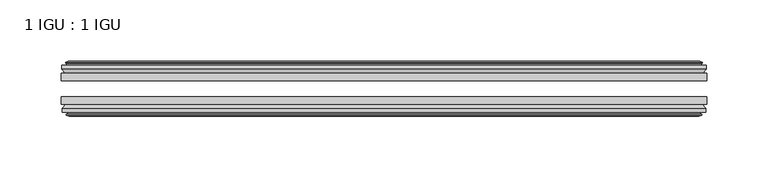
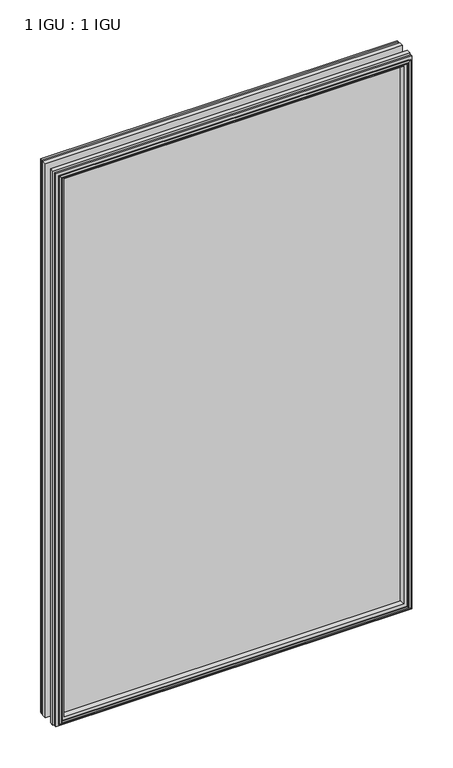
"""IFC4 building model written with IfcOpenShell, lengths in millimetres: plate geometry, 1 IGU : 1 IGU."""

from ifc_helpers import new_model, si_unit, frame, origin, place, context, project, spatial, polyline, outline, extrude, faceted_brep, source, transform, mapped, element, save


def plate_1_igu_1_igu_d31d4730(model_context):
    return source(origin(), model_context, "Body", "SolidModel", [
        extrude(outline(polyline([(263.5317467, -19.5460937), (263.5317467, -25.8960938), (-263.5317467, -25.8960938), (-263.5317467, -19.5460937), (263.5317467, -19.5460937)])), frame((0.0, 0.0, -12.7), z_axis=(0.0, 0.0, 1.0), x_axis=(1.0, 0.0, 0.0)), (0.0, 0.0, 1.0), 863.6104046),
        extrude(outline(polyline([(-263.5317467, -44.9460938), (-263.5317467, -38.9186737), (263.5317467, -38.9186737), (263.5317467, -44.9460938), (-263.5317467, -44.9460938)])), frame((0.0, 0.0, -12.7), z_axis=(0.0, 0.0, 1.0), x_axis=(1.0, 0.0, 0.0)), (0.0, 0.0, 1.0), 863.6104046),
        faceted_brep([(-257.9437467, -53.6762907, 845.3224046), (-258.3247467, -51.2960937, 845.7034046), (-258.3247467, -51.2960937, -7.493), (-257.9437467, -53.6762907, -7.112), (-259.3592758, -53.2163575, 846.7379337), (-259.3592758, -53.2163575, -8.5275291), (-259.3592758, -54.0175717, 846.7379337), (-259.3592758, -54.0175717, -8.5275291), (-257.1817467, -54.7250937, 844.5604046), (-257.1817467, -54.7250937, -6.35), (-255.0042177, -54.0175717, 842.3828756), (-255.0042177, -54.0175717, -4.1724709), (-255.0042177, -53.2163575, 842.3828756), (-255.0042177, -53.2163575, -4.1724709), (-256.4197467, -53.6762907, 843.7984046), (-256.4197467, -53.6762907, -5.588), (-256.0387467, -51.2960937, 843.4174046), (-256.0387467, -51.2960937, -5.207), (-249.1140286, -44.9460937, 836.4926865), (-250.8317467, -51.2960937, 838.2104046), (-250.8317467, -51.2960937, 0.0), (-249.1140286, -44.9460937, 1.7177181), (-262.7697467, -48.3496937, 850.1484046), (-259.9354046, -44.9460937, 847.3140624), (-259.9354046, -44.9460937, -9.1036578), (-262.7697467, -48.3496937, -11.938), (-262.7697467, -51.2960937, 850.1484046), (-262.7697467, -51.2960937, -11.938), (258.3247467, -51.2960938, -7.493), (257.9437467, -53.6762907, -7.112), (259.3592758, -53.2163575, -8.5275291), (259.3592758, -54.0175717, -8.5275291), (257.1817467, -54.7250937, -6.35), (255.0042177, -54.0175717, -4.1724709), (255.0042177, -53.2163575, -4.1724709), (256.4197467, -53.6762907, -5.588), (256.0387467, -51.2960937, -5.207), (250.8317467, -51.2960937, 0.0), (249.1140286, -44.9460937, 1.7177181), (259.9354046, -44.9460937, -9.1036578), (262.7697467, -48.3496937, -11.938), (262.7697467, -51.2960938, -11.938), (258.3247467, -51.2960938, 845.7034046), (257.9437467, -53.6762907, 845.3224046), (259.3592758, -53.2163575, 846.7379337), (259.3592758, -54.0175717, 846.7379337), (257.1817467, -54.7250937, 844.5604046), (255.0042177, -54.0175717, 842.3828756), (255.0042177, -53.2163575, 842.3828756), (256.4197467, -53.6762907, 843.7984046), (256.0387467, -51.2960937, 843.4174046), (250.8317467, -51.2960937, 838.2104046), (249.1140286, -44.9460937, 836.4926865), (259.9354046, -44.9460937, 847.3140624), (262.7697467, -48.3496937, 850.1484046), (262.7697467, -51.2960938, 850.1484046)], [[[0, 1, 2, 3]], [[4, 0, 3, 5]], [[6, 4, 5, 7]], [[8, 6, 7, 9]], [[10, 8, 9, 11]], [[12, 10, 11, 13]], [[14, 12, 13, 15]], [[16, 14, 15, 17]], [[18, 19, 20, 21]], [[22, 23, 24, 25]], [[26, 22, 25, 27]], [[3, 2, 28, 29]], [[5, 3, 29, 30]], [[7, 5, 30, 31]], [[9, 7, 31, 32]], [[11, 9, 32, 33]], [[13, 11, 33, 34]], [[15, 13, 34, 35]], [[17, 15, 35, 36]], [[21, 20, 37, 38]], [[25, 24, 39, 40]], [[27, 25, 40, 41]], [[29, 28, 42, 43]], [[30, 29, 43, 44]], [[31, 30, 44, 45]], [[32, 31, 45, 46]], [[33, 32, 46, 47]], [[34, 33, 47, 48]], [[35, 34, 48, 49]], [[36, 35, 49, 50]], [[38, 37, 51, 52]], [[40, 39, 53, 54]], [[41, 40, 54, 55]], [[27, 41, 55, 26], [1, 42, 28, 2]], [[43, 42, 1, 0]], [[44, 43, 0, 4]], [[45, 44, 4, 6]], [[46, 45, 6, 8]], [[47, 46, 8, 10]], [[48, 47, 10, 12]], [[49, 48, 12, 14]], [[50, 49, 14, 16]], [[17, 36, 50, 16], [19, 51, 37, 20]], [[52, 51, 19, 18]], [[23, 53, 39, 24], [21, 38, 52, 18]], [[54, 53, 23, 22]], [[55, 54, 22, 26]]]),
        faceted_brep([(-260.4561046, -19.5460937, 847.8347624), (-263.2904467, -16.1424937, 850.6691046), (-263.2904467, -16.1424937, -12.4587), (-260.4561046, -19.5460937, -9.6243578), (-251.3524467, -13.1960937, 838.7311046), (-249.6347286, -19.5460937, 837.0133865), (-249.6347286, -19.5460937, 1.1970181), (-251.3524467, -13.1960937, -0.5207), (-256.9404467, -10.8158968, 844.3191046), (-256.5594467, -13.1960937, 843.9381046), (-256.5594467, -13.1960937, -5.7277), (-256.9404467, -10.8158968, -6.1087), (-255.5249177, -11.27583, 842.9035756), (-255.5249177, -11.27583, -4.6931709), (-255.5249177, -10.4746158, 842.9035756), (-255.5249177, -10.4746158, -4.6931709), (-257.7024467, -9.7670937, 845.0811046), (-257.7024467, -9.7670937, -6.8707), (-259.8799758, -10.4746158, 847.2586337), (-259.8799758, -10.4746158, -9.0482291), (-259.8799758, -11.27583, 847.2586337), (-259.8799758, -11.27583, -9.0482291), (-258.4644467, -10.8158968, 845.8431046), (-258.4644467, -10.8158968, -7.6327), (-258.8454467, -13.1960937, 846.2241046), (-258.8454467, -13.1960937, -8.0137), (-263.2904467, -13.1960937, 850.6691046), (-263.2904467, -13.1960937, -12.4587), (263.2904467, -16.1424937, -12.4587), (260.4561046, -19.5460937, -9.6243578), (249.6347286, -19.5460937, 1.1970181), (251.3524467, -13.1960937, -0.5207), (256.5594467, -13.1960937, -5.7277), (256.9404467, -10.8158968, -6.1087), (255.5249177, -11.27583, -4.6931709), (255.5249177, -10.4746158, -4.6931709), (257.7024467, -9.7670937, -6.8707), (259.8799758, -10.4746158, -9.0482291), (259.8799758, -11.27583, -9.0482291), (258.4644467, -10.8158968, -7.6327), (258.8454467, -13.1960937, -8.0137), (263.2904467, -13.1960937, -12.4587), (263.2904467, -16.1424937, 850.6691046), (260.4561046, -19.5460937, 847.8347624), (249.6347286, -19.5460937, 837.0133865), (251.3524467, -13.1960937, 838.7311046), (256.5594467, -13.1960937, 843.9381046), (256.9404467, -10.8158968, 844.3191046), (255.5249177, -11.27583, 842.9035756), (255.5249177, -10.4746158, 842.9035756), (257.7024467, -9.7670937, 845.0811046), (259.8799758, -10.4746158, 847.2586337), (259.8799758, -11.27583, 847.2586337), (258.4644467, -10.8158968, 845.8431046), (258.8454467, -13.1960937, 846.2241046), (263.2904467, -13.1960937, 850.6691046)], [[[0, 1, 2, 3]], [[4, 5, 6, 7]], [[8, 9, 10, 11]], [[12, 8, 11, 13]], [[14, 12, 13, 15]], [[16, 14, 15, 17]], [[18, 16, 17, 19]], [[20, 18, 19, 21]], [[22, 20, 21, 23]], [[24, 22, 23, 25]], [[1, 26, 27, 2]], [[3, 2, 28, 29]], [[7, 6, 30, 31]], [[11, 10, 32, 33]], [[13, 11, 33, 34]], [[15, 13, 34, 35]], [[17, 15, 35, 36]], [[19, 17, 36, 37]], [[21, 19, 37, 38]], [[23, 21, 38, 39]], [[25, 23, 39, 40]], [[2, 27, 41, 28]], [[29, 28, 42, 43]], [[31, 30, 44, 45]], [[33, 32, 46, 47]], [[34, 33, 47, 48]], [[35, 34, 48, 49]], [[36, 35, 49, 50]], [[37, 36, 50, 51]], [[38, 37, 51, 52]], [[39, 38, 52, 53]], [[40, 39, 53, 54]], [[28, 41, 55, 42]], [[43, 42, 1, 0]], [[3, 29, 43, 0], [5, 44, 30, 6]], [[45, 44, 5, 4]], [[9, 46, 32, 10], [7, 31, 45, 4]], [[47, 46, 9, 8]], [[48, 47, 8, 12]], [[49, 48, 12, 14]], [[50, 49, 14, 16]], [[51, 50, 16, 18]], [[52, 51, 18, 20]], [[53, 52, 20, 22]], [[54, 53, 22, 24]], [[26, 55, 41, 27], [25, 40, 54, 24]], [[42, 55, 26, 1]]]),
    ])


if __name__ == "__main__":
    model = new_model("IFC4")
    model_context = context("Model", 3, world=origin())
    ifc_project = project(units=[si_unit("LENGTHUNIT", "METRE", prefix="MILLI")], contexts=[model_context])
    site = spatial("IfcSite", under=ifc_project)
    building = spatial("IfcBuilding", under=site)
    placement = place(None, origin())
    plate_1_igu_1_igu_shape = plate_1_igu_1_igu_d31d4730(model_context)
    element("IfcPlate", 1, ObjectType="1 IGU : 1 IGU", at=placement, inside=building, context=model_context, shape_type="MappedRepresentation", body=[
        mapped(plate_1_igu_1_igu_shape, transform((0.0, 0.0, 0.0), x_axis=(1.0, 0.0, 0.0), y_axis=(0.0, 1.0, 0.0), z_axis=(0.0, 0.0, 1.0))),
    ])
    save(model, "model.ifc")
